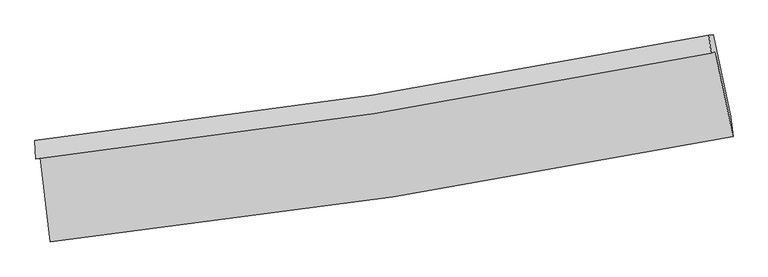
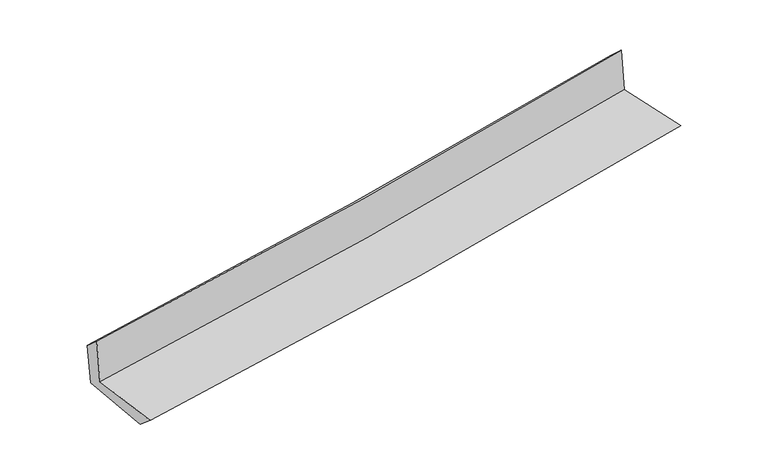
"""IFC4 building model written with IfcOpenShell, lengths in millimetres: proxy geometry."""

from ifc_helpers import new_model, si_unit, frame, origin, place, context, project, spatial, source, transform, mapped, element, save
from ifc_brep_helpers import plane_surface, spline_curve, spline_surface, advanced_brep


def generic_models_2ac08195(model_context):
    return source(origin(), model_context, "Body", "AdvancedBrep", [
        advanced_brep(
        [(-2642.842038, -1890.0669048, 1648.6051988), (-2564.9856591, -2546.0246596, 1646.6943816), (2723.1506369, -1726.1685172, 2129.6010568), (2586.6164401, -1069.6572592, 2126.3914214), (-2677.186068, -1902.001419, 2053.8325522), (2552.9430644, -1081.3587218, 2523.7056833), (-2683.531667, -1759.1532149, 1934.0180224), (2535.7774159, -940.3530905, 2389.237908), (-2650.8072298, -1757.7786184, 1561.3181998), (2569.3453907, -938.8426245, 2016.4514265), (-2571.2346264, -2400.6405756, 1522.3811672), (2704.584361, -1572.9237195, 1982.4787002)],
        [
            (0, 1),
            (1, 2, spline_curve(3, [(-2564.9856591, -2546.0246596, 1646.6943816), (-1677.906831823, -2448.60380055, 1733.406403343), (-793.775280636, -2331.589276547, 1816.997353742), (968.939132342, -2058.319279668, 1977.968695891), (1847.519679683, -1902.048423029, 2055.346637253), (2723.1506369, -1726.1685172, 2129.6010568)], [4, 2, 4], [0.0, 8.767283506372783, 17.538008150406142])),
            (2, 3),
            (3, 0, spline_curve(3, [(2586.6164401, -1069.6572592, 2126.3914214), (1720.307824127, -1245.276212875, 2052.962050764), (851.279270059, -1401.462762571, 1976.423424659), (-891.875689919, -1674.917399016, 1817.158911278), (-1765.999961668, -1792.200731165, 1734.435462986), (-2642.842038, -1890.0669048, 1648.6051988)], [4, 2, 4], [0.0, 8.77072464403336, 17.538008150406142])),
            (4, 0),
            (3, 5),
            (5, 4, spline_curve(3, [(2552.9430644, -1081.3587218, 2523.7056833), (1686.572576171, -1256.999176032, 2451.006348944), (817.457182077, -1413.215902609, 2375.492352605), (-925.92134907, -1686.748229534, 2218.865767143), (-1800.182332425, -1804.079069003, 2137.755386584), (-2677.186068, -1902.001419, 2053.8325522)], [4, 2, 4], [0.0, 8.723020535086373, 17.442618648913893])),
            (6, 4),
            (5, 7),
            (7, 6, spline_curve(3, [(2535.7774159, -940.3530905, 2389.237908), (1670.795622925, -1115.55260328, 2322.024096875), (803.276465065, -1271.395294132, 2250.473906874), (-936.495220158, -1544.313482911, 2098.730542736), (-1808.745756221, -1661.404166715, 2018.540771037), (-2683.531667, -1759.1532149, 1934.0180224)], [4, 2, 4], [0.0, 8.71300777850773, 17.422597064197547])),
            (8, 6),
            (7, 9),
            (9, 8, spline_curve(3, [(2569.3453907, -938.8426245, 2016.4514265), (1704.239474963, -1114.069242583, 1949.16490835), (836.587945353, -1269.93681026, 1877.58559614), (-903.464925275, -1542.900287297, 1725.871152994), (-1775.86426914, -1660.011384004, 1645.739389277), (-2650.8072298, -1757.7786184, 1561.3181998)], [4, 2, 4], [0.0, 8.70372008152151, 17.404025314193554])),
            (10, 8),
            (9, 11),
            (11, 10, spline_curve(3, [(2704.584361, -1572.9237195, 1982.4787002), (1830.199091391, -1746.499167363, 1914.600281846), (953.268110633, -1902.273338015, 1842.311223417), (-805.340215384, -2178.164990804, 1688.941918619), (-1687.015563978, -2298.296439108, 1607.865132868), (-2571.2346264, -2400.6405756, 1522.3811672)], [4, 2, 4], [0.0, 8.750617956341424, 17.497802663752456])),
            (1, 10),
            (11, 2),
        ],
        [
            spline_surface(3, 3, [[(-2642.842038, -1890.0669048, 1648.6051988), (-1765.999961756, -1792.200731295, 1734.435462999), (-891.875689888, -1674.917399042, 1817.158911225), (851.279270028, -1401.462762544, 1976.423424711), (1720.307824192, -1245.276212928, 2052.962050741), (2586.6164401, -1069.6572592, 2126.3914214)], [(-2616.889911689, -2108.719489733, 1647.968259721), (-1736.635585059, -2011.001754404, 1734.092443096), (-859.175553411, -1893.808024857, 1817.105058731), (890.499224106, -1620.414934909, 1976.938515137), (1762.711776035, -1464.200282942, 2053.756912945), (2632.127839043, -1288.494345199, 2127.461299886)], [(-2590.937785411, -2327.372074667, 1647.331320679), (-1707.271208393, -2229.802777513, 1733.749423229), (-826.475416983, -2112.698650717, 1817.051206189), (929.719178134, -1839.367107318, 1977.453605513), (1805.115727847, -1683.124352959, 2054.551775092), (2677.639237957, -1507.331431201, 2128.531178314)], [(-2564.9856591, -2546.0246596, 1646.6943816), (-1677.906831695, -2448.603800622, 1733.406403326), (-793.775280506, -2331.589276532, 1816.997353695), (968.939132212, -2058.319279683, 1977.968695939), (1847.51967969, -1902.048422973, 2055.346637296), (2723.1506369, -1726.1685172, 2129.6010568)]], [4, 4], [4, 2, 4], [0.0, 2.1836169370332157], [0.0, 8.767283506372783, 17.538008150406142]),
            spline_surface(3, 3, [[(-2677.186068, -1902.001419, 2053.8325522), (-1800.182332326, -1804.079069013, 2137.755386695), (-925.921348957, -1686.748229665, 2218.865767253), (817.457181964, -1413.215902478, 2375.492352495), (1686.572576093, -1256.999176121, 2451.006348945), (2552.9430644, -1081.3587218, 2523.7056833)], [(-2665.738058004, -1898.023247595, 1918.756767757), (-1788.788208807, -1800.119623102, 2003.315412154), (-914.572795937, -1682.804619454, 2084.963481883), (828.731211315, -1409.298189164, 2242.46937654), (1697.817658805, -1253.091521734, 2318.324916193), (2564.167522979, -1077.458234277, 2391.267595983)], [(-2654.290047996, -1894.045076205, 1783.680983243), (-1777.394085276, -1796.160177206, 1868.875437541), (-903.224242908, -1678.861009253, 1951.061196595), (840.005240676, -1405.380475858, 2109.446400666), (1709.06274148, -1249.183867315, 2185.643483493), (2575.391981521, -1073.557746723, 2258.829508717)], [(-2642.842038, -1890.0669048, 1648.6051988), (-1765.999961756, -1792.200731295, 1734.435462999), (-891.875689888, -1674.917399042, 1817.158911225), (851.279270028, -1401.462762544, 1976.423424711), (1720.307824192, -1245.276212928, 2052.962050741), (2586.6164401, -1069.6572592, 2126.3914214)]], [4, 4], [4, 2, 4], [0.0, 1.3188837837655116], [0.0, 8.71959811382752, 17.442618648913893]),
            spline_surface(3, 3, [[(-2683.531667, -1759.1532149, 1934.0180224), (-1808.74575633, -1661.404166786, 2018.540771008), (-936.495220022, -1544.313482881, 2098.730542847), (803.276464929, -1271.395294162, 2250.473906763), (1670.795622914, -1115.552603247, 2322.024096759), (2535.7774159, -940.3530905, 2389.237908)], [(-2681.416467323, -1806.769282953, 1973.956199008), (-1805.891281651, -1708.962467548, 2058.278976245), (-932.970596321, -1591.791731834, 2138.775617663), (808.00337062, -1318.668830292, 2292.146722021), (1676.054607298, -1162.701460867, 2365.018180825), (2541.499298724, -987.354967596, 2434.060499771)], [(-2679.301267677, -1854.385350947, 2013.894375592), (-1803.036807005, -1756.520768252, 2098.017181459), (-929.445972659, -1639.269980712, 2178.820692436), (812.730276272, -1365.942366348, 2333.819537236), (1681.313591709, -1209.850318501, 2408.012264879), (2547.221181576, -1034.356844704, 2478.883091529)], [(-2677.186068, -1902.001419, 2053.8325522), (-1800.182332326, -1804.079069013, 2137.755386695), (-925.921348957, -1686.748229665, 2218.865767253), (817.457181964, -1413.215902478, 2375.492352495), (1686.572576093, -1256.999176121, 2451.006348945), (2552.9430644, -1081.3587218, 2523.7056833)]], [4, 4], [4, 2, 4], [0.0, 0.6171012410678328], [0.0, 8.709589285689816, 17.422597064197547]),
            spline_surface(3, 3, [[(-2650.8072298, -1757.7786184, 1561.3181998), (-1775.86426919, -1660.011384018, 1645.739389295), (-903.464925261, -1542.900287183, 1725.871152869), (836.587945339, -1269.936810374, 1877.585596266), (1704.239474947, -1114.069242566, 1949.164908277), (2569.3453907, -938.8426245, 2016.4514265)], [(-2661.715375548, -1758.236817216, 1685.551473986), (-1786.824764918, -1660.475644924, 1770.006516519), (-914.475023518, -1543.3713524, 1850.157616182), (825.484118532, -1270.422971621, 2001.881699752), (1693.091524277, -1114.563696114, 2073.451304449), (2558.156065775, -939.346113154, 2140.713587011)], [(-2672.623521252, -1758.695016084, 1809.784748214), (-1797.785260602, -1660.939905881, 1894.273643785), (-925.485121765, -1543.842417664, 1974.444079534), (814.380291736, -1270.909132915, 2126.177803277), (1681.943573583, -1115.058149699, 2197.737700587), (2546.966740825, -939.849601846, 2264.975747489)], [(-2683.531667, -1759.1532149, 1934.0180224), (-1808.74575633, -1661.404166786, 2018.540771008), (-936.495220022, -1544.313482881, 2098.730542847), (803.276464929, -1271.395294162, 2250.473906763), (1670.795622914, -1115.552603247, 2322.024096759), (2535.7774159, -940.3530905, 2389.237908)]], [4, 4], [4, 2, 4], [0.0, 1.2281796233073043], [0.0, 8.700305232672044, 17.404025314193554]),
            spline_surface(3, 3, [[(-2571.2346264, -2400.6405756, 1522.3811672), (-1687.015564029, -2298.296439199, 1607.865132882), (-805.340215528, -2178.164990911, 1688.941918714), (953.268110778, -1902.273337908, 1842.311223322), (1830.199091455, -1746.49916749, 1914.600281861), (2704.584361, -1572.9237195, 1982.4787002)], [(-2597.758827538, -2186.353256545, 1535.360178059), (-1716.631799087, -2085.53475415, 1620.489885013), (-838.048452125, -1966.41008967, 1701.251663437), (914.374722279, -1691.494495398, 1854.069347642), (1788.212552618, -1535.689192529, 1926.121824002), (2659.504704233, -1361.563354513, 1993.802942302)], [(-2624.283028662, -1972.065937455, 1548.339188941), (-1746.248034132, -1872.773069067, 1633.114637165), (-870.756688665, -1754.655188425, 1713.561408146), (875.481333837, -1480.715652884, 1865.827471946), (1746.226013784, -1324.879217527, 1937.643366136), (2614.425047467, -1150.202989487, 2005.127184398)], [(-2650.8072298, -1757.7786184, 1561.3181998), (-1775.86426919, -1660.011384018, 1645.739389295), (-903.464925261, -1542.900287183, 1725.871152869), (836.587945339, -1269.936810374, 1877.585596266), (1704.239474947, -1114.069242566, 1949.164908277), (2569.3453907, -938.8426245, 2016.4514265)]], [4, 4], [4, 2, 4], [0.0, 2.1123663517468643], [0.0, 8.747184707411032, 17.497802663752456]),
            spline_surface(3, 3, [[(-2564.9856591, -2546.0246596, 1646.6943816), (-1677.906831695, -2448.603800622, 1733.406403326), (-793.775280506, -2331.589276532, 1816.997353695), (968.939132212, -2058.319279683, 1977.968695939), (1847.51967969, -1902.048422973, 2055.346637296), (2723.1506369, -1726.1685172, 2129.6010568)], [(-2567.068648199, -2497.563298258, 1605.256643469), (-1680.943075805, -2398.501346806, 1691.55931318), (-797.630258851, -2280.447847999, 1774.312208706), (963.715458396, -2006.303965765, 1932.749538404), (1841.746150258, -1850.19867114, 2008.431185464), (2716.961878246, -1675.086917961, 2080.560271247)], [(-2569.151637301, -2449.101936942, 1563.818905331), (-1683.979319919, -2348.398893015, 1649.712223028), (-801.485237183, -2229.306419444, 1731.627063703), (958.491784593, -1954.288651826, 1887.530380856), (1835.972620887, -1798.348919324, 1961.515733693), (2710.773119654, -1624.005318739, 2031.519485753)], [(-2571.2346264, -2400.6405756, 1522.3811672), (-1687.015564029, -2298.296439199, 1607.865132882), (-805.340215528, -2178.164990911, 1688.941918714), (953.268110778, -1902.273337908, 1842.311223322), (1830.199091455, -1746.49916749, 1914.600281861), (2704.584361, -1572.9237195, 1982.4787002)]], [4, 4], [4, 2, 4], [0.0, 0.6684795106295929], [0.0, 8.80414142607196, 17.61173845644921]),
            plane_surface(frame((2612.0695515, -1221.5506554, 2194.644366), z_axis=(0.9751122427904498, 0.203226723795425, 0.08862850949641951), x_axis=(-0.08968253032075273, -0.00403546566076757, 0.9959622275830384))),
            plane_surface(frame((-2631.764548, -2042.6108987, 1727.8082537), z_axis=(-0.9892687301374754, -0.11716315328804829, -0.08729361422113464), x_axis=(-0.11786334966392215, 0.9930256104853868, 0.002892702218523534))),
        ],
        [
            (0, [[1, 2, 3, 4]]),
            (1, [[5, -4, 6, 7]]),
            (2, [[8, -7, 9, 10]]),
            (3, [[11, -10, 12, 13]]),
            (4, [[14, -13, 15, 16]]),
            (5, [[17, -16, 18, -2]]),
            (6, [[-12, -9, -6, -3, -18, -15]]),
            (7, [[-1, -5, -8, -11, -14, -17]]),
        ],
    ),
    ])


if __name__ == "__main__":
    model = new_model("IFC4")
    model_context = context("Model", 3, world=origin())
    ifc_project = project(units=[si_unit("LENGTHUNIT", "METRE", prefix="MILLI")], contexts=[model_context])
    site = spatial("IfcSite", under=ifc_project)
    building = spatial("IfcBuilding", under=site)
    placement = place(None, origin())
    generic_models_shape = generic_models_2ac08195(model_context)
    element("IfcBuildingElementProxy", 1, Name="Generic Models", at=placement, inside=building, context=model_context, shape_type="MappedRepresentation", body=[
        mapped(generic_models_shape, transform((0.0, 0.0, 0.0), x_axis=(1.0, 0.0, 0.0), y_axis=(0.0, 1.0, 0.0), z_axis=(0.0, 0.0, 1.0))),
    ])
    save(model, "model.ifc")
